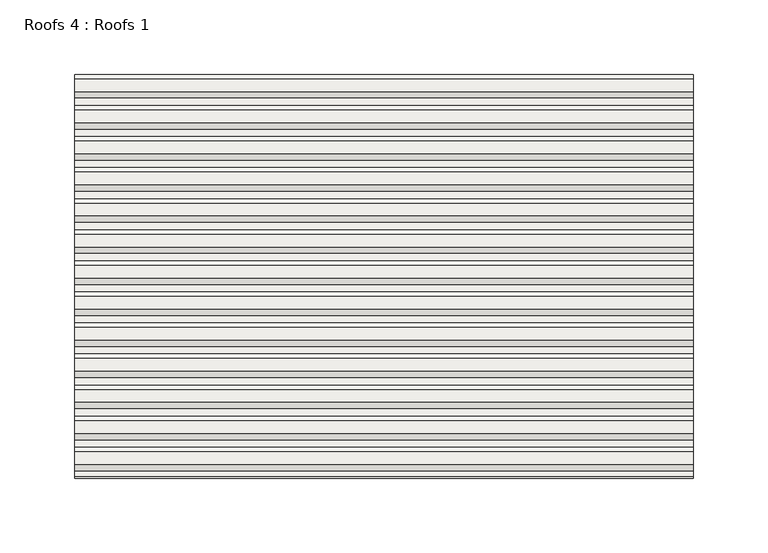
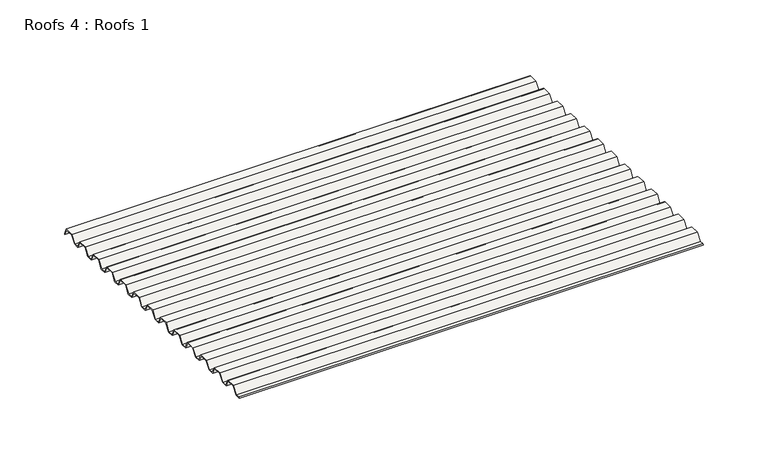
"""IFC4 building model written with IfcOpenShell, lengths in millimetres: roof geometry, Roofs 4 : Roofs 1."""

from ifc_helpers import new_model, si_unit, frame, origin, place, context, project, spatial, polyline, outline, extrude, source, transform, mapped, element, save


def roofs_4_roofs_1_2cd9641d(model_context):
    return source(origin(), model_context, "Body", "SweptSolid", [
        extrude(outline(polyline([(4756.302267, 2.9995076), (4750.9851431, 3.1848108), (4752.4796419, 3.5298431), (4756.1007531, 3.4036464), (4760.4411547, 9.6023822), (4769.0956354, 9.3007711), (4772.1056039, 2.8458729), (4776.9643142, 2.6765455), (4781.3047157, 8.8752813), (4789.9591965, 8.5736703), (4792.969165, 2.118772), (4797.8278753, 1.9494446), (4802.1682768, 8.1481804), (4810.8227576, 7.8465694), (4813.8327261, 1.3916711), (4818.6914364, 1.2223438), (4823.0318379, 7.4210796), (4831.6863187, 7.1194685), (4834.6962872, 0.6645703), (4839.5549974, 0.4952429), (4843.895399, 6.6939787), (4852.5498798, 6.3923676), (4855.5598482, -0.0625306), (4860.4185585, -0.231858), (4864.7589601, 5.9668778), (4873.4134408, 5.6652668), (4876.4234093, -0.7896315), (4881.2821196, -0.9589589), (4885.6225211, 5.239777), (4894.2770019, 4.9381659), (4897.2869704, -1.5167323), (4902.1456807, -1.6860597), (4906.4860822, 4.5126761), (4915.140563, 4.211065), (4918.1505315, -2.2438332), (4923.0092418, -2.4131606), (4927.3496433, 3.7855752), (4936.0041241, 3.4839642), (4939.0140926, -2.9709341), (4943.8728028, -3.1402615), (4948.2132044, 3.0584743), (4956.8676852, 2.7568633), (4959.8776536, -3.6980349), (4964.7363639, -3.8673623), (4969.0767655, 2.3313735), (4977.7312462, 2.0297624), (4980.7412147, -4.4251358), (4985.599925, -4.5944632), (4989.9403265, 1.6042726), (4998.5948073, 1.3026616), (5001.6047758, -5.1522367), (5006.4634861, -5.3215641), (5010.8038876, 0.8771717), (5019.4583684, 0.5755607), (5022.2114371, -5.3284142), (5022.2114371, -6.2675005), (5019.2014686, 0.1873978), (5011.0054015, 0.473033), (5006.665, -5.7257028), (5001.347876, -5.5403996), (4998.3379075, 0.9144986), (4990.1418405, 1.2001339), (4985.8014389, -4.998602), (4980.4843149, -4.8132987), (4977.4743465, 1.6415995), (4969.2782794, 1.9272347), (4964.9378778, -4.2715011), (4959.6207539, -4.0861978), (4956.6107854, 2.3687004), (4948.4147183, 2.6543356), (4944.0743168, -3.5444002), (4938.7571928, -3.359097), (4935.7472243, 3.0958013), (4927.5511572, 3.3814365), (4923.2107557, -2.8172993), (4917.8936317, -2.6319961), (4914.8836632, 3.8229021), (4906.6875961, 4.1085373), (4902.3471946, -2.0901985), (4897.0300706, -1.9048952), (4894.0201021, 4.550003), (4885.8240351, 4.8356382), (4881.4836335, -1.3630976), (4876.1665095, -1.1777944), (4873.1565411, 5.2771039), (4864.960474, 5.5627391), (4860.6200724, -0.6359967), (4855.3029485, -0.4506935), (4852.29298, 6.0042047), (4844.0969129, 6.2898399), (4839.7565114, 0.0911041), (4834.4393874, 0.2764074), (4831.4294189, 6.7313056), (4823.2333518, 7.0169408), (4818.8929503, 0.818205), (4813.5758263, 1.0035082), (4810.5658578, 7.4584065), (4802.3697907, 7.7440417), (4798.0293892, 1.5453059), (4792.7122652, 1.7306091), (4789.7022967, 8.1855073), (4781.5062297, 8.4711425), (4777.1658281, 2.2724067), (4771.8487041, 2.45771), (4768.8387357, 8.9126082), (4760.6426686, 9.1982434), (4756.302267, 2.9995076)])), frame((-2761.4577839, 0.0, 0.0), z_axis=(1.0, 0.0, 0.0), x_axis=(0.0, 1.0, 0.0)), (0.0, 0.0, 1.0), 415.2906513),
    ])


if __name__ == "__main__":
    model = new_model("IFC4")
    model_context = context("Model", 3, world=origin())
    ifc_project = project(units=[si_unit("LENGTHUNIT", "METRE", prefix="MILLI")], contexts=[model_context])
    site = spatial("IfcSite", under=ifc_project)
    building = spatial("IfcBuilding", under=site)
    placement = place(None, origin())
    roofs_4_roofs_1_shape = roofs_4_roofs_1_2cd9641d(model_context)
    element("IfcRoof", 1, ObjectType="Roofs 4 : Roofs 1", at=placement, inside=building, context=model_context, shape_type="MappedRepresentation", body=[
        mapped(roofs_4_roofs_1_shape, transform((0.0, 0.0, 0.0), x_axis=(1.0, 0.0, 0.0), y_axis=(0.0, 1.0, 0.0), z_axis=(0.0, 0.0, 1.0))),
    ])
    save(model, "model.ifc")
